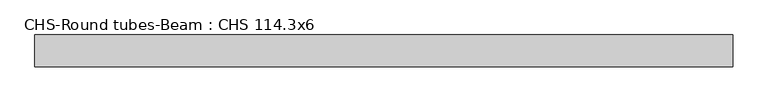
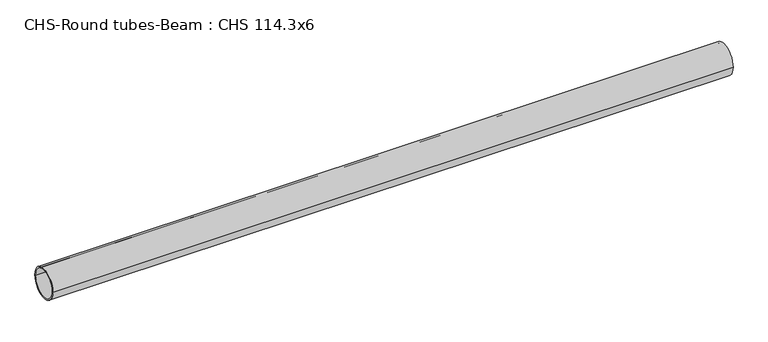
"""IFC4 building model written with IfcOpenShell, lengths in millimetres: beam geometry, CHS-Round tubes-Beam : CHS 114.3x6."""

from ifc_helpers import new_model, si_unit, point, frame, origin, origin_2d, place, context, project, spatial, circle_curve, trimmed, segment, composite_curve, outline, extrude, source, transform, mapped, element, save


def chs_round_tubes_beam_chs_114_3x6_684ce27b(model_context):
    return source(origin(), model_context, "Body", "SweptSolid", [
        extrude(outline(composite_curve([segment(trimmed(circle_curve(origin_2d(), 57.15), [point((57.15, 0.0))], [point((-57.15, 0.0))], False, "CARTESIAN"), True, "CONTINUOUS"), segment(trimmed(circle_curve(origin_2d(), 57.15), [point((-57.15, 0.0))], [point((57.15, 0.0))], False, "CARTESIAN"), True, "CONTINUOUS")], self_intersect=False), holes=[composite_curve([segment(trimmed(circle_curve(origin_2d(), 51.15), [point((51.15, 0.0))], [point((-51.15, 0.0))], True, "CARTESIAN"), True, "CONTINUOUS"), segment(trimmed(circle_curve(origin_2d(), 51.15), [point((-51.15, 0.0))], [point((51.15, 0.0))], True, "CARTESIAN"), True, "CONTINUOUS")], self_intersect=False)]), frame((-1242.0948429, 0.0, 0.0), z_axis=(1.0, 0.0, 0.0), x_axis=(0.0, 1.0, 0.0)), (0.0, 0.0, 1.0), 2500.7804009),
    ])


if __name__ == "__main__":
    model = new_model("IFC4")
    model_context = context("Model", 3, world=origin())
    ifc_project = project(units=[si_unit("LENGTHUNIT", "METRE", prefix="MILLI")], contexts=[model_context])
    site = spatial("IfcSite", under=ifc_project)
    building = spatial("IfcBuilding", under=site)
    placement = place(None, origin())
    chs_round_tubes_beam_chs_114_3x6_shape = chs_round_tubes_beam_chs_114_3x6_684ce27b(model_context)
    element("IfcBeam", 1, ObjectType="CHS-Round tubes-Beam : CHS 114.3x6", at=placement, inside=building, context=model_context, shape_type="MappedRepresentation", body=[
        mapped(chs_round_tubes_beam_chs_114_3x6_shape, transform((0.0, 0.0, 0.0), x_axis=(1.0, 0.0, 0.0), y_axis=(0.0, 1.0, 0.0), z_axis=(0.0, 0.0, 1.0))),
    ])
    save(model, "model.ifc")
